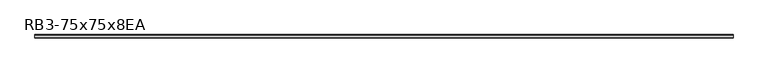
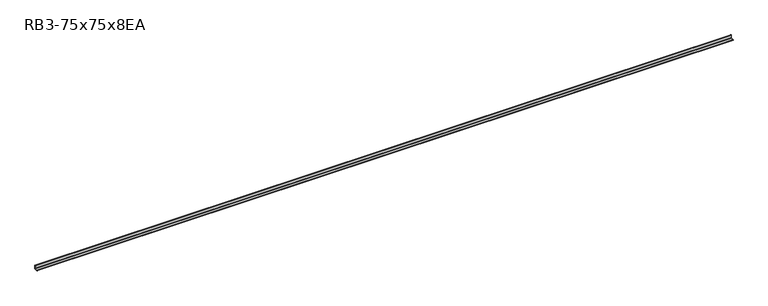
"""IFC4 building model written with IfcOpenShell, lengths in millimetres: beam geometry, RB3-75x75x8EA."""

import ifcopenshell
import ifcopenshell.guid

model = None  # the IFC model being written
_history = None  # IfcOwnerHistory: only IFC2X3 demands one
_inside = {}  # id of a spatial element -> (the spatial element, [elements in it])
_under = {}  # id of a project, library or spatial element -> (it, [spatial elements below it])
_declared = {}  # id of a project -> (the project, [libraries it declares])
_typed = {}  # id of a type object -> (the type object, [elements of that type])
_made_of = {}  # id of a material, layer set ... -> (it, [elements and type objects made of it])


def new_model(schema):
    """Start an empty IFC model of exactly this schema.

    Asked for "IFC4X3", IfcOpenShell would pick the latest addendum, in which some entities
    have other attributes; the version numbers below select the first issue.
    IFC2X3 requires an IfcOwnerHistory on every rooted entity: one is made here for all.
    """
    global model, _history
    if schema == "IFC4X3":
        model = ifcopenshell.file(schema_version=(4, 3, 0, 0))
    else:
        model = ifcopenshell.file(schema=schema)
    _inside.clear()
    _under.clear()
    _declared.clear()
    _typed.clear()
    _made_of.clear()
    _history = None
    if model.schema == "IFC2X3":
        org = make("IfcOrganization", Name="unknown")
        user = make(
            "IfcPersonAndOrganization",
            ThePerson=make("IfcPerson", FamilyName="unknown"),
            TheOrganization=org,
        )
        app = make(
            "IfcApplication",
            ApplicationDeveloper=org,
            Version="unknown",
            ApplicationFullName="unknown",
            ApplicationIdentifier="unknown",
        )
        _history = make(
            "IfcOwnerHistory",
            OwningUser=user,
            OwningApplication=app,
            ChangeAction="ADDED",
            CreationDate=0,
        )
    return model


def make(cls, **values):
    """One entity of the class cls with the attributes given. An attribute that is None is left unset."""
    return model.create_entity(
        cls, **{name: value for name, value in values.items() if value is not None}
    )


def rooted(cls, **values):
    """An entity with a GlobalId (a new one), such as an element, a storey or a relation."""
    return make(cls, GlobalId=ifcopenshell.guid.new(), OwnerHistory=_history, **values)


def si_unit(unit_type, name, prefix=None):
    """IfcSIUnit, for example si_unit("LENGTHUNIT", "METRE", prefix="MILLI")."""
    return make("IfcSIUnit", UnitType=unit_type, Prefix=prefix, Name=name)


def assignment(units):
    """IfcUnitAssignment: the units of a project."""
    return None if units is None else make("IfcUnitAssignment", Units=units)


def point(xyz):
    """IfcCartesianPoint."""
    return None if xyz is None else make("IfcCartesianPoint", Coordinates=xyz)


def direction(xyz):
    """IfcDirection."""
    return None if xyz is None else make("IfcDirection", DirectionRatios=xyz)


def frame(location, z_axis=None, x_axis=None):
    """IfcAxis2Placement3D, a coordinate frame: its origin and axes. An axis left out is left unset."""
    return make(
        "IfcAxis2Placement3D",
        Location=point(location),
        Axis=direction(z_axis),
        RefDirection=direction(x_axis),
    )


def frame_2d(location, x_axis=None):
    """IfcAxis2Placement2D, a coordinate frame in the plane: its origin and x axis."""
    return make(
        "IfcAxis2Placement2D", Location=point(location), RefDirection=direction(x_axis)
    )


def origin():
    """The frame at (0, 0, 0) with its axes left unset."""
    return frame((0.0, 0.0, 0.0))


def place(relative_to, where):
    """IfcLocalPlacement: puts the frame where relative to a parent placement (None: the world)."""
    return make(
        "IfcLocalPlacement", PlacementRelTo=relative_to, RelativePlacement=where
    )


def context(
    kind, dimensions, precision=None, world=None, true_north=None, identifier=None
):
    """IfcGeometricRepresentationContext, for example the 3D "Model" context."""
    return make(
        "IfcGeometricRepresentationContext",
        ContextIdentifier=identifier,
        ContextType=kind,
        CoordinateSpaceDimension=dimensions,
        Precision=precision,
        WorldCoordinateSystem=world,
        TrueNorth=true_north,
    )


def project(units=None, contexts=None):
    """IfcProject with its units and contexts."""
    return rooted(
        "IfcProject",
        Name="project",
        RepresentationContexts=contexts,
        UnitsInContext=assignment(units),
    )


def spatial(cls, under=None, at=None, **own):
    """A site, building, storey or space (cls), placed at a placement, below another one or the project."""
    s = rooted(cls, ObjectPlacement=at, **own)
    if under is not None:
        _under.setdefault(under.id(), (under, []))[1].append(s)
    return s


def polyline(points):
    """IfcPolyline through the points."""
    return make("IfcPolyline", Points=[point(p) for p in points])


def circle_curve(where, radius):
    """IfcCircle in the frame where."""
    return make("IfcCircle", Position=where, Radius=radius)


def trimmed(basis, trim1, trim2, sense, master):
    """IfcTrimmedCurve: the piece of a basis curve between two trims."""
    return make(
        "IfcTrimmedCurve",
        BasisCurve=basis,
        Trim1=trim1,
        Trim2=trim2,
        SenseAgreement=sense,
        MasterRepresentation=master,
    )


def segment(curve, same_sense, transition):
    """IfcCompositeCurveSegment."""
    return make(
        "IfcCompositeCurveSegment",
        Transition=transition,
        SameSense=same_sense,
        ParentCurve=curve,
    )


def composite_curve(segments, self_intersect=None):
    """IfcCompositeCurve: segments joined end to end."""
    return make("IfcCompositeCurve", Segments=segments, SelfIntersect=self_intersect)


def outline(outer, holes=None, kind="AREA"):
    """IfcArbitraryClosedProfileDef: a profile drawn as a closed curve; with holes, ...WithVoids."""
    if holes is None:
        return make("IfcArbitraryClosedProfileDef", ProfileType=kind, OuterCurve=outer)
    return make(
        "IfcArbitraryProfileDefWithVoids",
        ProfileType=kind,
        OuterCurve=outer,
        InnerCurves=holes,
    )


def extrude(swept, where, along, depth):
    """IfcExtrudedAreaSolid: the profile swept, set in the frame where, extruded along a direction by depth."""
    return make(
        "IfcExtrudedAreaSolid",
        SweptArea=swept,
        Position=where,
        ExtrudedDirection=direction(along),
        Depth=depth,
    )


def shape(context_of_items, identifier, shape_type, items):
    """IfcShapeRepresentation: the items that make up one representation, for example the "Body"."""
    return make(
        "IfcShapeRepresentation",
        ContextOfItems=context_of_items,
        RepresentationIdentifier=identifier,
        RepresentationType=shape_type,
        Items=items,
    )


def source(mapping_origin, context_of_items, identifier, shape_type, items):
    """IfcRepresentationMap: a shape defined once, which mapped items show again and again."""
    return make(
        "IfcRepresentationMap",
        MappingOrigin=mapping_origin,
        MappedRepresentation=shape(context_of_items, identifier, shape_type, items),
    )


def transform(
    local_origin,
    x_axis=None,
    y_axis=None,
    z_axis=None,
    scale=None,
    scale2=None,
    scale3=None,
    uniform=True,
):
    """IfcCartesianTransformationOperator3D, or its non-uniform kind. x_axis, y_axis, z_axis: its Axis1, 2, 3."""
    if uniform:
        return make(
            "IfcCartesianTransformationOperator3D",
            Axis1=direction(x_axis),
            Axis2=direction(y_axis),
            LocalOrigin=point(local_origin),
            Scale=scale,
            Axis3=direction(z_axis),
        )
    return make(
        "IfcCartesianTransformationOperator3DnonUniform",
        Axis1=direction(x_axis),
        Axis2=direction(y_axis),
        LocalOrigin=point(local_origin),
        Scale=scale,
        Axis3=direction(z_axis),
        Scale2=scale2,
        Scale3=scale3,
    )


def mapped(mapping_source, mapping_target):
    """IfcMappedItem: shows the shape of a source again, moved by a transform."""
    return make(
        "IfcMappedItem", MappingSource=mapping_source, MappingTarget=mapping_target
    )


def made_of(thing, what):
    """Note that an element or type object is made of a material, layer set ...; save() writes the relation."""
    if what is not None:
        _made_of.setdefault(what.id(), (what, []))[1].append(thing)
    return thing


def element(
    cls,
    number,
    at=None,
    inside=None,
    cuts=None,
    type_object=None,
    material=None,
    context=None,
    identifier="Body",
    shape_type=None,
    held_by="IfcProductDefinitionShape",
    body=None,
    shapes=None,
    **own,
):
    """One element of the class cls, such as IfcWall. Its Tag is "e" and its number.

    at: its placement. inside: the storey or other place that contains it. cuts: it is an
    opening in that element (IfcRelVoidsElement). A single representation is given by context,
    identifier, shape_type and body (its items); several are given by shapes. held_by: the class
    of the entity that holds the representations. save() writes the other relations.
    """
    e = rooted(cls, Tag="e%d" % number, ObjectPlacement=at, **own)
    if body is not None:
        shapes = [shape(context, identifier, shape_type, body)]
    if shapes is not None:
        e.Representation = make(held_by, Representations=shapes)
    if inside is not None:
        _inside.setdefault(inside.id(), (inside, []))[1].append(e)
    if cuts is not None:
        rooted(
            "IfcRelVoidsElement", RelatingBuildingElement=cuts, RelatedOpeningElement=e
        )
    if type_object is not None:
        _typed.setdefault(type_object.id(), (type_object, []))[1].append(e)
    return made_of(e, material)


def aggregate(whole, parts):
    """IfcRelAggregates: a whole, such as a stair, and the parts it consists of."""
    return rooted("IfcRelAggregates", RelatingObject=whole, RelatedObjects=parts)


def save(model, path):
    """Write the relations noted so far, then the file.

    IfcRelAggregates (storeys below a building ...), IfcRelContainedInSpatialStructure (elements
    in a storey), IfcRelDefinesByType, IfcRelAssociatesMaterial and IfcRelDeclares: one each for
    every whole, place, type object, material and project.
    """
    for whole, parts in _under.values():
        aggregate(whole, parts)
    for where, things in _inside.values():
        rooted(
            "IfcRelContainedInSpatialStructure",
            RelatedElements=things,
            RelatingStructure=where,
        )
    for kind, things in _typed.values():
        rooted("IfcRelDefinesByType", RelatedObjects=things, RelatingType=kind)
    for what, things in _made_of.values():
        rooted("IfcRelAssociatesMaterial", RelatedObjects=things, RelatingMaterial=what)
    for by, libraries in _declared.values():
        rooted("IfcRelDeclares", RelatingContext=by, RelatedDefinitions=libraries)
    model.write(path)


def rb3_75x75x8ea_1d1218b7(model_context):
    return source(origin(), model_context, "Body", "SweptSolid", [
        extrude(outline(composite_curve([segment(polyline([(21.3, -21.3), (-53.7, -21.3), (-53.7, -18.3)]), True, "CONTINUOUS"), segment(trimmed(circle_curve(frame_2d((-48.7, -18.3)), 5.0), [point((-53.7, -18.3))], [point((-48.7, -13.3))], False, "CARTESIAN"), True, "CONTINUOUS"), segment(polyline([(-48.7, -13.3), (5.3, -13.3)]), True, "CONTINUOUS"), segment(trimmed(circle_curve(frame_2d((5.3, -5.3)), 8.0), [point((5.3, -13.3))], [point((13.3, -5.3))], True, "CARTESIAN"), True, "CONTINUOUS"), segment(polyline([(13.3, -5.3), (13.3, 48.7)]), True, "CONTINUOUS"), segment(trimmed(circle_curve(frame_2d((18.3, 48.7)), 5.0), [point((13.3, 48.7))], [point((18.3, 53.7))], False, "CARTESIAN"), True, "CONTINUOUS"), segment(polyline([(18.3, 53.7), (21.3, 53.7), (21.3, -21.3)]), True, "CONTINUOUS")], self_intersect=False)), frame((-7616.0, 0.0, 0.0), z_axis=(1.0, 0.0, 0.0), x_axis=(0.0, 1.0, 0.0)), (0.0, 0.0, 1.0), 14988.0),
    ])


if __name__ == "__main__":
    model = new_model("IFC4")
    model_context = context("Model", 3, world=origin())
    ifc_project = project(units=[si_unit("LENGTHUNIT", "METRE", prefix="MILLI")], contexts=[model_context])
    site = spatial("IfcSite", under=ifc_project)
    building = spatial("IfcBuilding", under=site)
    placement = place(None, origin())
    rb3_75x75x8ea_shape = rb3_75x75x8ea_1d1218b7(model_context)
    element("IfcBeam", 1, ObjectType="RB3-75x75x8EA", at=placement, inside=building, context=model_context, shape_type="MappedRepresentation", body=[
        mapped(rb3_75x75x8ea_shape, transform((0.0, 0.0, 0.0), x_axis=(1.0, 0.0, 0.0), y_axis=(0.0, 1.0, 0.0), z_axis=(0.0, 0.0, 1.0))),
    ])
    save(model, "model.ifc")
